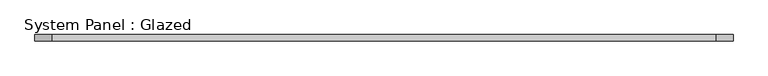
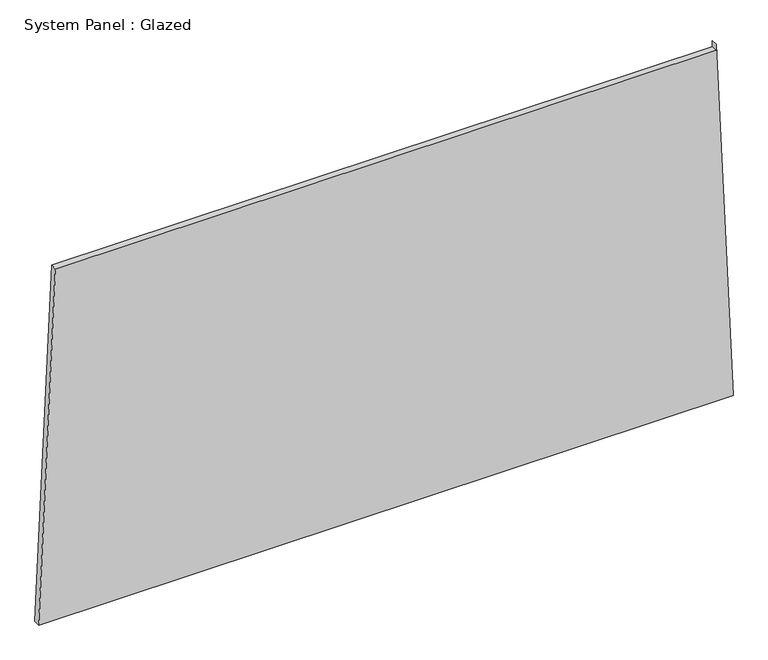
"""IFC4 building model written with IfcOpenShell, lengths in millimetres: plate geometry, System Panel : Glazed."""

import ifcopenshell
import ifcopenshell.guid

model = None  # the IFC model being written
_history = None  # IfcOwnerHistory: only IFC2X3 demands one
_inside = {}  # id of a spatial element -> (the spatial element, [elements in it])
_under = {}  # id of a project, library or spatial element -> (it, [spatial elements below it])
_declared = {}  # id of a project -> (the project, [libraries it declares])
_typed = {}  # id of a type object -> (the type object, [elements of that type])
_made_of = {}  # id of a material, layer set ... -> (it, [elements and type objects made of it])


def new_model(schema):
    """Start an empty IFC model of exactly this schema.

    Asked for "IFC4X3", IfcOpenShell would pick the latest addendum, in which some entities
    have other attributes; the version numbers below select the first issue.
    IFC2X3 requires an IfcOwnerHistory on every rooted entity: one is made here for all.
    """
    global model, _history
    if schema == "IFC4X3":
        model = ifcopenshell.file(schema_version=(4, 3, 0, 0))
    else:
        model = ifcopenshell.file(schema=schema)
    _inside.clear()
    _under.clear()
    _declared.clear()
    _typed.clear()
    _made_of.clear()
    _history = None
    if model.schema == "IFC2X3":
        org = make("IfcOrganization", Name="unknown")
        user = make(
            "IfcPersonAndOrganization",
            ThePerson=make("IfcPerson", FamilyName="unknown"),
            TheOrganization=org,
        )
        app = make(
            "IfcApplication",
            ApplicationDeveloper=org,
            Version="unknown",
            ApplicationFullName="unknown",
            ApplicationIdentifier="unknown",
        )
        _history = make(
            "IfcOwnerHistory",
            OwningUser=user,
            OwningApplication=app,
            ChangeAction="ADDED",
            CreationDate=0,
        )
    return model


def make(cls, **values):
    """One entity of the class cls with the attributes given. An attribute that is None is left unset."""
    return model.create_entity(
        cls, **{name: value for name, value in values.items() if value is not None}
    )


def rooted(cls, **values):
    """An entity with a GlobalId (a new one), such as an element, a storey or a relation."""
    return make(cls, GlobalId=ifcopenshell.guid.new(), OwnerHistory=_history, **values)


def si_unit(unit_type, name, prefix=None):
    """IfcSIUnit, for example si_unit("LENGTHUNIT", "METRE", prefix="MILLI")."""
    return make("IfcSIUnit", UnitType=unit_type, Prefix=prefix, Name=name)


def assignment(units):
    """IfcUnitAssignment: the units of a project."""
    return None if units is None else make("IfcUnitAssignment", Units=units)


def point(xyz):
    """IfcCartesianPoint."""
    return None if xyz is None else make("IfcCartesianPoint", Coordinates=xyz)


def direction(xyz):
    """IfcDirection."""
    return None if xyz is None else make("IfcDirection", DirectionRatios=xyz)


def frame(location, z_axis=None, x_axis=None):
    """IfcAxis2Placement3D, a coordinate frame: its origin and axes. An axis left out is left unset."""
    return make(
        "IfcAxis2Placement3D",
        Location=point(location),
        Axis=direction(z_axis),
        RefDirection=direction(x_axis),
    )


def origin():
    """The frame at (0, 0, 0) with its axes left unset."""
    return frame((0.0, 0.0, 0.0))


def place(relative_to, where):
    """IfcLocalPlacement: puts the frame where relative to a parent placement (None: the world)."""
    return make(
        "IfcLocalPlacement", PlacementRelTo=relative_to, RelativePlacement=where
    )


def context(
    kind, dimensions, precision=None, world=None, true_north=None, identifier=None
):
    """IfcGeometricRepresentationContext, for example the 3D "Model" context."""
    return make(
        "IfcGeometricRepresentationContext",
        ContextIdentifier=identifier,
        ContextType=kind,
        CoordinateSpaceDimension=dimensions,
        Precision=precision,
        WorldCoordinateSystem=world,
        TrueNorth=true_north,
    )


def project(units=None, contexts=None):
    """IfcProject with its units and contexts."""
    return rooted(
        "IfcProject",
        Name="project",
        RepresentationContexts=contexts,
        UnitsInContext=assignment(units),
    )


def spatial(cls, under=None, at=None, **own):
    """A site, building, storey or space (cls), placed at a placement, below another one or the project."""
    s = rooted(cls, ObjectPlacement=at, **own)
    if under is not None:
        _under.setdefault(under.id(), (under, []))[1].append(s)
    return s


def polyline(points):
    """IfcPolyline through the points."""
    return make("IfcPolyline", Points=[point(p) for p in points])


def outline(outer, holes=None, kind="AREA"):
    """IfcArbitraryClosedProfileDef: a profile drawn as a closed curve; with holes, ...WithVoids."""
    if holes is None:
        return make("IfcArbitraryClosedProfileDef", ProfileType=kind, OuterCurve=outer)
    return make(
        "IfcArbitraryProfileDefWithVoids",
        ProfileType=kind,
        OuterCurve=outer,
        InnerCurves=holes,
    )


def extrude(swept, where, along, depth):
    """IfcExtrudedAreaSolid: the profile swept, set in the frame where, extruded along a direction by depth."""
    return make(
        "IfcExtrudedAreaSolid",
        SweptArea=swept,
        Position=where,
        ExtrudedDirection=direction(along),
        Depth=depth,
    )


def shape(context_of_items, identifier, shape_type, items):
    """IfcShapeRepresentation: the items that make up one representation, for example the "Body"."""
    return make(
        "IfcShapeRepresentation",
        ContextOfItems=context_of_items,
        RepresentationIdentifier=identifier,
        RepresentationType=shape_type,
        Items=items,
    )


def source(mapping_origin, context_of_items, identifier, shape_type, items):
    """IfcRepresentationMap: a shape defined once, which mapped items show again and again."""
    return make(
        "IfcRepresentationMap",
        MappingOrigin=mapping_origin,
        MappedRepresentation=shape(context_of_items, identifier, shape_type, items),
    )


def transform(
    local_origin,
    x_axis=None,
    y_axis=None,
    z_axis=None,
    scale=None,
    scale2=None,
    scale3=None,
    uniform=True,
):
    """IfcCartesianTransformationOperator3D, or its non-uniform kind. x_axis, y_axis, z_axis: its Axis1, 2, 3."""
    if uniform:
        return make(
            "IfcCartesianTransformationOperator3D",
            Axis1=direction(x_axis),
            Axis2=direction(y_axis),
            LocalOrigin=point(local_origin),
            Scale=scale,
            Axis3=direction(z_axis),
        )
    return make(
        "IfcCartesianTransformationOperator3DnonUniform",
        Axis1=direction(x_axis),
        Axis2=direction(y_axis),
        LocalOrigin=point(local_origin),
        Scale=scale,
        Axis3=direction(z_axis),
        Scale2=scale2,
        Scale3=scale3,
    )


def mapped(mapping_source, mapping_target):
    """IfcMappedItem: shows the shape of a source again, moved by a transform."""
    return make(
        "IfcMappedItem", MappingSource=mapping_source, MappingTarget=mapping_target
    )


def made_of(thing, what):
    """Note that an element or type object is made of a material, layer set ...; save() writes the relation."""
    if what is not None:
        _made_of.setdefault(what.id(), (what, []))[1].append(thing)
    return thing


def element(
    cls,
    number,
    at=None,
    inside=None,
    cuts=None,
    type_object=None,
    material=None,
    context=None,
    identifier="Body",
    shape_type=None,
    held_by="IfcProductDefinitionShape",
    body=None,
    shapes=None,
    **own,
):
    """One element of the class cls, such as IfcWall. Its Tag is "e" and its number.

    at: its placement. inside: the storey or other place that contains it. cuts: it is an
    opening in that element (IfcRelVoidsElement). A single representation is given by context,
    identifier, shape_type and body (its items); several are given by shapes. held_by: the class
    of the entity that holds the representations. save() writes the other relations.
    """
    e = rooted(cls, Tag="e%d" % number, ObjectPlacement=at, **own)
    if body is not None:
        shapes = [shape(context, identifier, shape_type, body)]
    if shapes is not None:
        e.Representation = make(held_by, Representations=shapes)
    if inside is not None:
        _inside.setdefault(inside.id(), (inside, []))[1].append(e)
    if cuts is not None:
        rooted(
            "IfcRelVoidsElement", RelatingBuildingElement=cuts, RelatedOpeningElement=e
        )
    if type_object is not None:
        _typed.setdefault(type_object.id(), (type_object, []))[1].append(e)
    return made_of(e, material)


def aggregate(whole, parts):
    """IfcRelAggregates: a whole, such as a stair, and the parts it consists of."""
    return rooted("IfcRelAggregates", RelatingObject=whole, RelatedObjects=parts)


def save(model, path):
    """Write the relations noted so far, then the file.

    IfcRelAggregates (storeys below a building ...), IfcRelContainedInSpatialStructure (elements
    in a storey), IfcRelDefinesByType, IfcRelAssociatesMaterial and IfcRelDeclares: one each for
    every whole, place, type object, material and project.
    """
    for whole, parts in _under.values():
        aggregate(whole, parts)
    for where, things in _inside.values():
        rooted(
            "IfcRelContainedInSpatialStructure",
            RelatedElements=things,
            RelatingStructure=where,
        )
    for kind, things in _typed.values():
        rooted("IfcRelDefinesByType", RelatedObjects=things, RelatingType=kind)
    for what, things in _made_of.values():
        rooted("IfcRelAssociatesMaterial", RelatedObjects=things, RelatingMaterial=what)
    for by, libraries in _declared.values():
        rooted("IfcRelDeclares", RelatingContext=by, RelatedDefinitions=libraries)
    model.write(path)


def system_panel_glazed_70bf849f(model_context):
    return source(origin(), model_context, "Body", "SweptSolid", [
        extrude(outline(polyline([(0.0, -1355.7072095), (0.0, 1355.7072095), (1473.4895152, 1289.5462105), (1448.4895152, 1289.54621), (1448.4895692, -1290.6688054), (0.0, -1355.7072095)])), frame((0.0, -49.5, 0.0), z_axis=(0.0, 1.0, 0.0), x_axis=(0.0, 0.0, 1.0)), (0.0, 0.0, 1.0), 25.0),
    ])


if __name__ == "__main__":
    model = new_model("IFC4")
    model_context = context("Model", 3, world=origin())
    ifc_project = project(units=[si_unit("LENGTHUNIT", "METRE", prefix="MILLI")], contexts=[model_context])
    site = spatial("IfcSite", under=ifc_project)
    building = spatial("IfcBuilding", under=site)
    placement = place(None, origin())
    system_panel_glazed_shape = system_panel_glazed_70bf849f(model_context)
    element("IfcPlate", 1, ObjectType="System Panel : Glazed", at=placement, inside=building, context=model_context, shape_type="MappedRepresentation", body=[
        mapped(system_panel_glazed_shape, transform((0.0, 0.0, 0.0), x_axis=(1.0, 0.0, 0.0), y_axis=(0.0, 1.0, 0.0), z_axis=(0.0, 0.0, 1.0))),
    ])
    save(model, "model.ifc")
